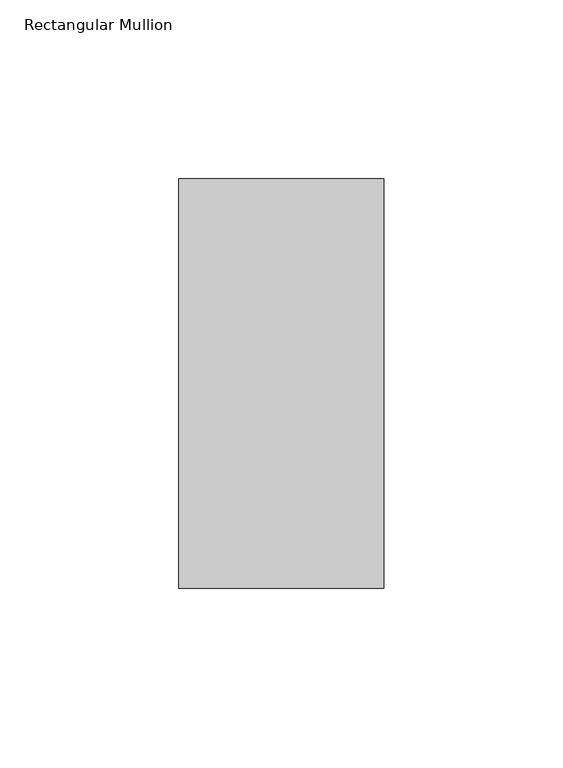
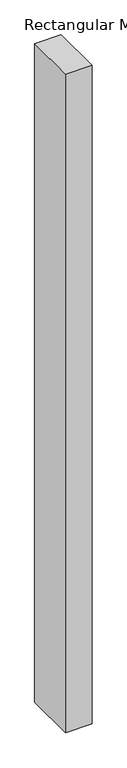
"""IFC4 building model written with IfcOpenShell, lengths in millimetres: member geometry, Rectangular Mullion."""

from ifc_helpers import new_model, si_unit, frame, origin, place, context, project, spatial, polyline, outline, extrude, source, transform, mapped, element, save


def rectangular_mullion_5d9d55ee(model_context):
    return source(origin(), model_context, "Body", "SweptSolid", [
        extrude(outline(polyline([(-57.15, -57.15), (-57.15, 57.15), (0.0, 57.15), (0.0, -57.15), (-57.15, -57.15)])), frame((0.0, 0.0, -1498.6), z_axis=(0.0, 0.0, 1.0), x_axis=(1.0, 0.0, 0.0)), (0.0, 0.0, 1.0), 1498.6),
    ])


if __name__ == "__main__":
    model = new_model("IFC4")
    model_context = context("Model", 3, world=origin())
    ifc_project = project(units=[si_unit("LENGTHUNIT", "METRE", prefix="MILLI")], contexts=[model_context])
    site = spatial("IfcSite", under=ifc_project)
    building = spatial("IfcBuilding", under=site)
    placement = place(None, origin())
    rectangular_mullion_shape = rectangular_mullion_5d9d55ee(model_context)
    element("IfcMember", 1, ObjectType="Rectangular Mullion", at=placement, inside=building, context=model_context, shape_type="MappedRepresentation", body=[
        mapped(rectangular_mullion_shape, transform((0.0, 0.0, 0.0), x_axis=(1.0, 0.0, 0.0), y_axis=(0.0, 1.0, 0.0), z_axis=(0.0, 0.0, 1.0))),
    ])
    save(model, "model.ifc")
